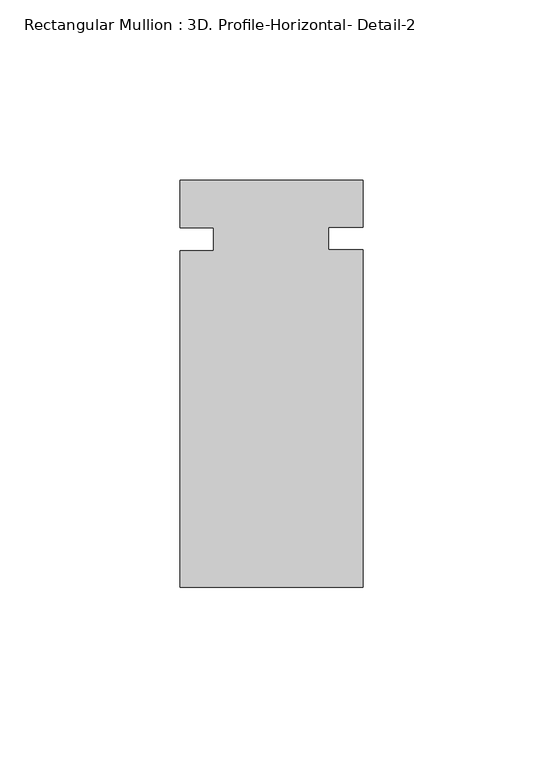
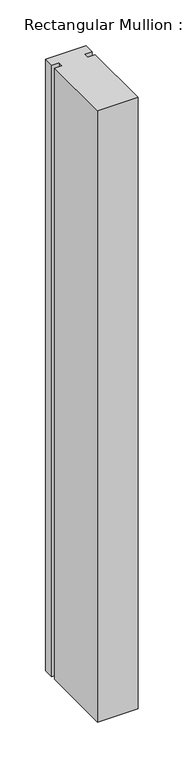
"""IFC4 building model written with IfcOpenShell, lengths in millimetres: member geometry, Rectangular Mullion : 3D. Profile-Horizontal- Detail-2."""

from ifc_helpers import new_model, si_unit, frame, origin, place, context, project, spatial, polyline, outline, extrude, source, transform, mapped, element, save


def rectangular_mullion_3d_profile_horizontal_detail_2_b683ba55(model_context):
    return source(origin(), model_context, "Body", "SweptSolid", [
        extrude(outline(polyline([(25.4, -39.2826875), (-25.4, -39.2826875), (-25.4, 54.211545), (-16.0655, 54.211545), (-16.0655, 60.561545), (-25.4, 60.561545), (-25.4, 73.7981125), (25.4, 73.7981125), (25.4, 60.7351778), (15.875, 60.7351778), (15.875, 54.3975801), (25.4, 54.3975801), (25.4, -39.2826875)])), frame((0.0, 0.0, -812.8000082), z_axis=(0.0, 0.0, 1.0), x_axis=(1.0, 0.0, 0.0)), (0.0, 0.0, 1.0), 812.8000082),
    ])


if __name__ == "__main__":
    model = new_model("IFC4")
    model_context = context("Model", 3, world=origin())
    ifc_project = project(units=[si_unit("LENGTHUNIT", "METRE", prefix="MILLI")], contexts=[model_context])
    site = spatial("IfcSite", under=ifc_project)
    building = spatial("IfcBuilding", under=site)
    placement = place(None, origin())
    rectangular_mullion_3d_profile_horizontal_detail_2_shape = rectangular_mullion_3d_profile_horizontal_detail_2_b683ba55(model_context)
    element("IfcMember", 1, ObjectType="Rectangular Mullion : 3D. Profile-Horizontal- Detail-2", at=placement, inside=building, context=model_context, shape_type="MappedRepresentation", body=[
        mapped(rectangular_mullion_3d_profile_horizontal_detail_2_shape, transform((0.0, 0.0, 0.0), x_axis=(1.0, 0.0, 0.0), y_axis=(0.0, 1.0, 0.0), z_axis=(0.0, 0.0, 1.0))),
    ])
    save(model, "model.ifc")
